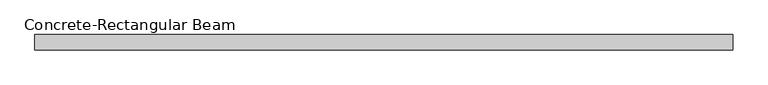
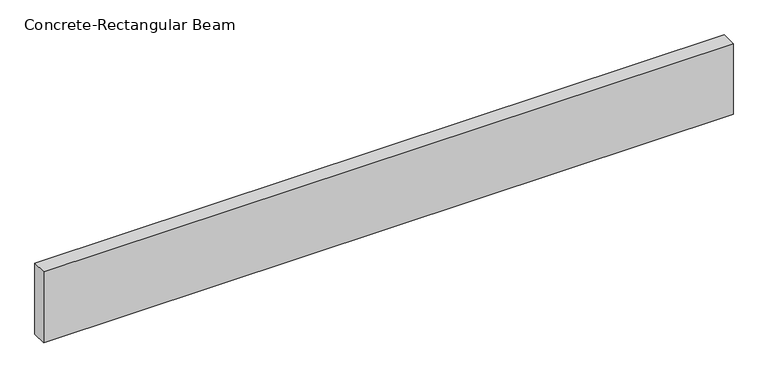
"""IFC4 building model written with IfcOpenShell, lengths in millimetres: beam geometry, Concrete-Rectangular Beam."""

from ifc_helpers import new_model, si_unit, frame, origin, place, context, project, spatial, polyline, outline, extrude, source, transform, mapped, element, save


def concrete_rectangular_beam_46bea6a9(model_context):
    return source(origin(), model_context, "Body", "SweptSolid", [
        extrude(outline(polyline([(1150.0, 25.0), (1150.0, -25.0), (-1150.0, -25.0), (-1150.0, 25.0), (1150.0, 25.0)])), frame((0.0, 0.0, -125.0), z_axis=(0.0, 0.0, 1.0), x_axis=(1.0, 0.0, 0.0)), (0.0, 0.0, 1.0), 250.0),
    ])


if __name__ == "__main__":
    model = new_model("IFC4")
    model_context = context("Model", 3, world=origin())
    ifc_project = project(units=[si_unit("LENGTHUNIT", "METRE", prefix="MILLI")], contexts=[model_context])
    site = spatial("IfcSite", under=ifc_project)
    building = spatial("IfcBuilding", under=site)
    placement = place(None, origin())
    concrete_rectangular_beam_shape = concrete_rectangular_beam_46bea6a9(model_context)
    element("IfcBeam", 1, ObjectType="Concrete-Rectangular Beam", at=placement, inside=building, context=model_context, shape_type="MappedRepresentation", body=[
        mapped(concrete_rectangular_beam_shape, transform((0.0, 0.0, 0.0), x_axis=(1.0, 0.0, 0.0), y_axis=(0.0, 1.0, 0.0), z_axis=(0.0, 0.0, 1.0))),
    ])
    save(model, "model.ifc")
